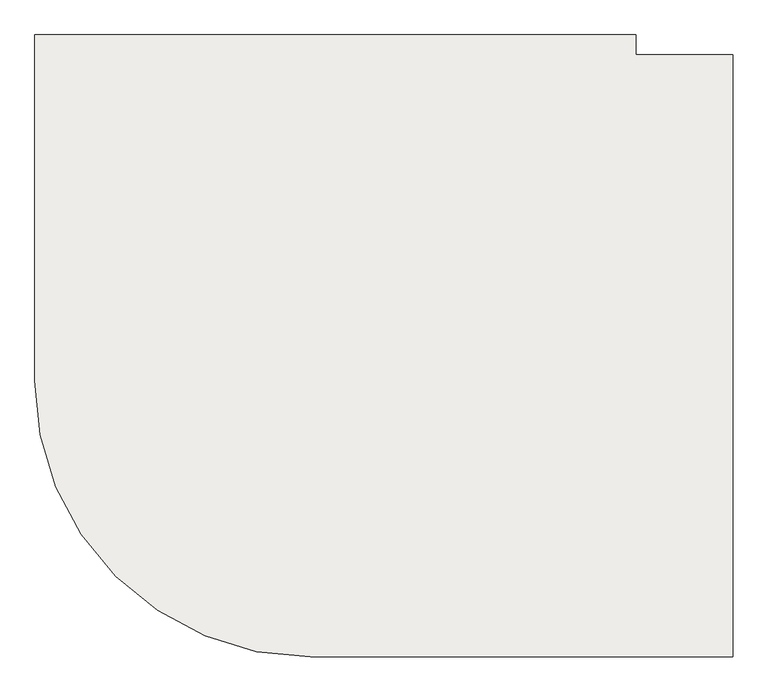
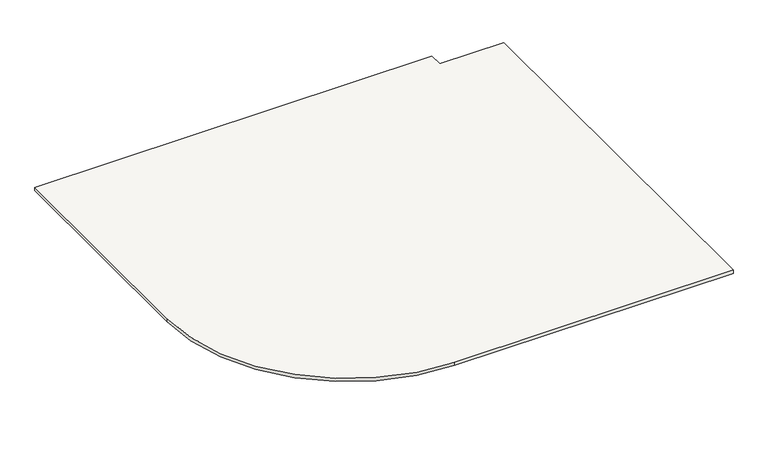
"""IFC4 building model written with IfcOpenShell, lengths in millimetres: slab geometry."""

from ifc_helpers import new_model, si_unit, point, frame, frame_2d, origin, place, context, project, spatial, polyline, circle_curve, trimmed, segment, composite_curve, outline, extrude, source, transform, mapped, element, save


def slab_fee0773d(model_context):
    return source(origin(), model_context, "Body", "SweptSolid", [
        extrude(outline(composite_curve([segment(polyline([(138273.7432689, 80715.1344505), (136589.6450442, 80715.1344505)]), True, "CONTINUOUS"), segment(trimmed(circle_curve(frame_2d((136589.6450442, 81815.1344505)), 1100.0), [point((136589.6450442, 80715.1344505))], [point((135489.6450442, 81815.1344505))], False, "CARTESIAN"), True, "CONTINUOUS"), segment(polyline([(135489.6450442, 81815.1344505), (135489.6450442, 83195.1344505), (137887.3386111, 83195.1344505), (137887.3386111, 83115.1344505), (138273.7432689, 83115.1344505), (138273.7432689, 80715.1344505)]), True, "CONTINUOUS")], self_intersect=False)), frame((0.0, 0.0, 6255.681314), z_axis=(0.0, 0.0, 1.0), x_axis=(1.0, 0.0, 0.0)), (0.0, 0.0, 1.0), 20.0),
    ])


if __name__ == "__main__":
    model = new_model("IFC4")
    model_context = context("Model", 3, world=origin())
    ifc_project = project(units=[si_unit("LENGTHUNIT", "METRE", prefix="MILLI")], contexts=[model_context])
    site = spatial("IfcSite", under=ifc_project)
    building = spatial("IfcBuilding", under=site)
    placement = place(None, origin())
    slab_shape = slab_fee0773d(model_context)
    element("IfcSlab", 1, at=placement, inside=building, context=model_context, shape_type="MappedRepresentation", body=[
        mapped(slab_shape, transform((0.0, 0.0, 0.0), x_axis=(1.0, 0.0, 0.0), y_axis=(0.0, 1.0, 0.0), z_axis=(0.0, 0.0, 1.0))),
    ])
    save(model, "model.ifc")
